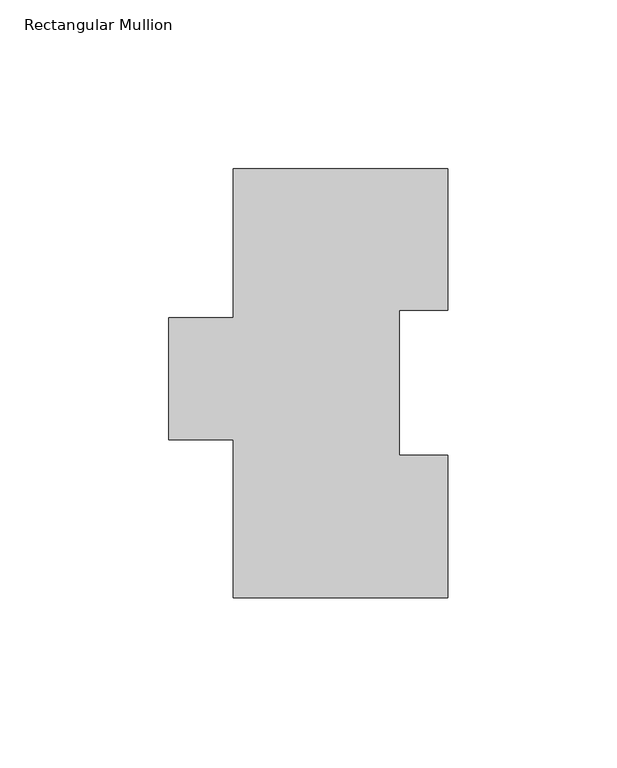
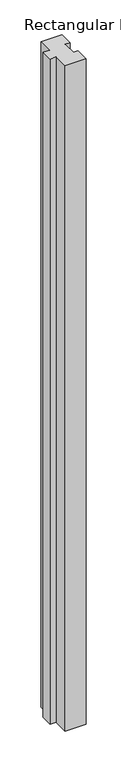
"""IFC4 building model written with IfcOpenShell, lengths in millimetres: member geometry, Rectangular Mullion."""

from ifc_helpers import new_model, si_unit, frame, origin, place, context, project, spatial, polyline, outline, extrude, source, transform, mapped, element, save


def rectangular_mullion_e5990658(model_context):
    return source(origin(), model_context, "Body", "SweptSolid", [
        extrude(outline(polyline([(31.75, 127.0079375), (31.75, 85.1487375), (17.4625, 85.1487375), (17.4625, 42.2989375), (31.75, 42.2989375), (31.75, 0.0079375), (-31.75, 0.0079375), (-31.75, 46.8391875), (-50.8, 46.8391875), (-50.8, 82.9329556), (-31.75, 82.9329556), (-31.75, 127.0079375), (31.75, 127.0079375)])), frame((0.0, 0.0, -2133.6), z_axis=(0.0, 0.0, 1.0), x_axis=(1.0, 0.0, 0.0)), (0.0, 0.0, 1.0), 2133.6),
    ])


if __name__ == "__main__":
    model = new_model("IFC4")
    model_context = context("Model", 3, world=origin())
    ifc_project = project(units=[si_unit("LENGTHUNIT", "METRE", prefix="MILLI")], contexts=[model_context])
    site = spatial("IfcSite", under=ifc_project)
    building = spatial("IfcBuilding", under=site)
    placement = place(None, origin())
    rectangular_mullion_shape = rectangular_mullion_e5990658(model_context)
    element("IfcMember", 1, ObjectType="Rectangular Mullion", at=placement, inside=building, context=model_context, shape_type="MappedRepresentation", body=[
        mapped(rectangular_mullion_shape, transform((0.0, 0.0, 0.0), x_axis=(1.0, 0.0, 0.0), y_axis=(0.0, 1.0, 0.0), z_axis=(0.0, 0.0, 1.0))),
    ])
    save(model, "model.ifc")
